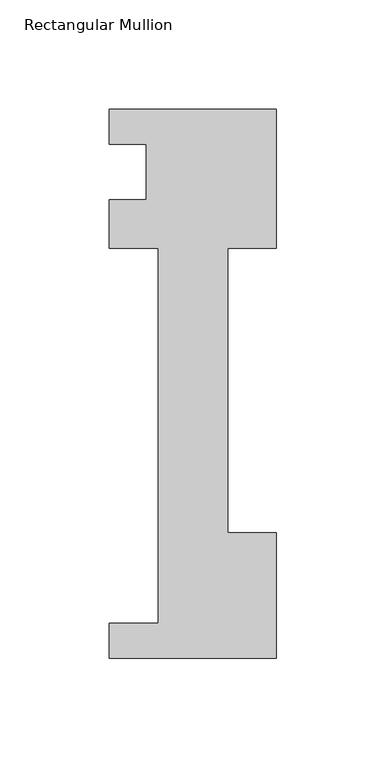
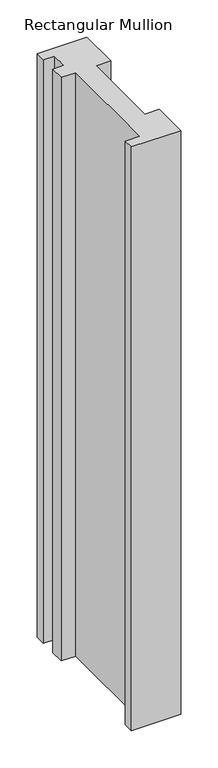
"""IFC4 building model written with IfcOpenShell, lengths in millimetres: member geometry, Rectangular Mullion."""

from ifc_helpers import new_model, si_unit, frame, origin, place, context, project, spatial, polyline, outline, extrude, source, transform, mapped, element, save


def rectangular_mullion_aa9efd18(model_context):
    return source(origin(), model_context, "Body", "SweptSolid", [
        extrude(outline(polyline([(-76.2, -221.996), (-76.2, -206.121), (-53.975, -206.121), (-53.975, -34.671), (-76.2, -34.671), (-76.2, -12.446), (-59.2778052, -12.446), (-59.2778052, 12.954), (-76.2, 12.954), (-76.2, 28.8082618), (0.0, 28.8082618), (0.0, -34.671), (-22.225, -34.671), (-22.225, -164.75372), (0.0, -164.75372), (0.0, -221.996), (-76.2, -221.996)])), frame((0.0, 0.0, -952.5), z_axis=(0.0, 0.0, 1.0), x_axis=(1.0, 0.0, 0.0)), (0.0, 0.0, 1.0), 952.5),
    ])


if __name__ == "__main__":
    model = new_model("IFC4")
    model_context = context("Model", 3, world=origin())
    ifc_project = project(units=[si_unit("LENGTHUNIT", "METRE", prefix="MILLI")], contexts=[model_context])
    site = spatial("IfcSite", under=ifc_project)
    building = spatial("IfcBuilding", under=site)
    placement = place(None, origin())
    rectangular_mullion_shape = rectangular_mullion_aa9efd18(model_context)
    element("IfcMember", 1, ObjectType="Rectangular Mullion", at=placement, inside=building, context=model_context, shape_type="MappedRepresentation", body=[
        mapped(rectangular_mullion_shape, transform((0.0, 0.0, 0.0), x_axis=(1.0, 0.0, 0.0), y_axis=(0.0, 1.0, 0.0), z_axis=(0.0, 0.0, 1.0))),
    ])
    save(model, "model.ifc")
